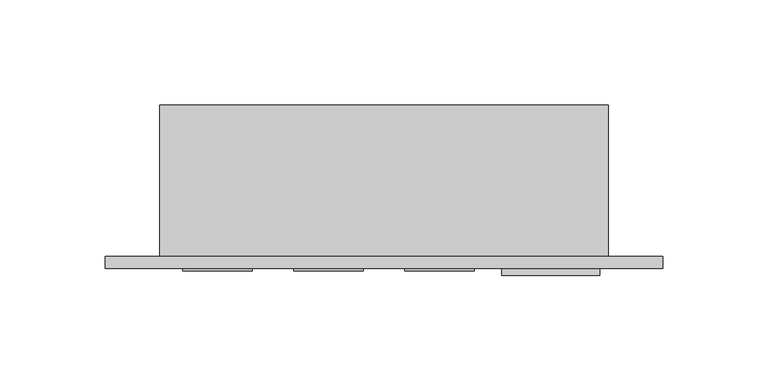
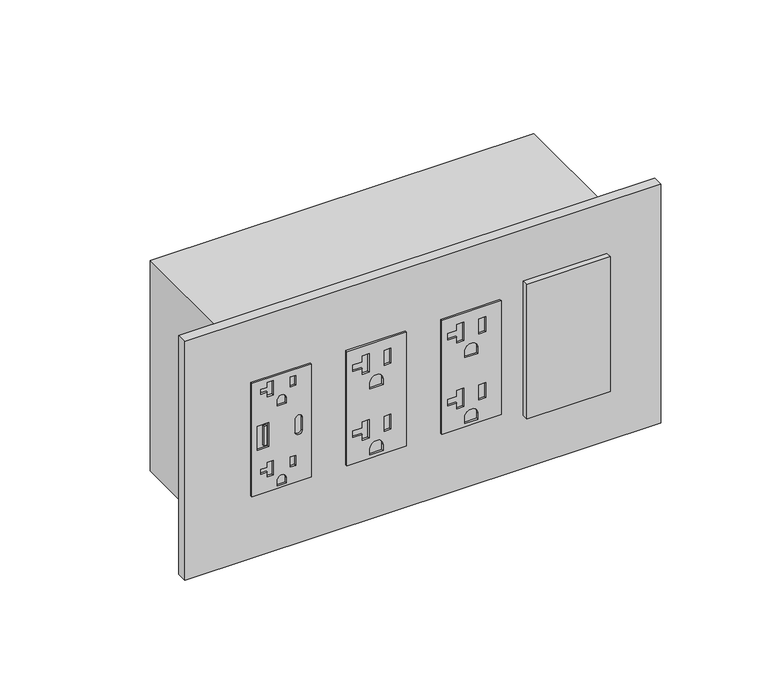
"""IFC4 building model written with IfcOpenShell, lengths in millimetres: proxy geometry."""

from ifc_helpers import new_model, si_unit, point, frame, frame_2d, origin, place, context, project, spatial, polyline, circle_curve, trimmed, segment, composite_curve, outline, extrude, source, transform, mapped, element, save


def electrical_fixtures_5008ccd6(model_context):
    return source(origin(), model_context, "Body", "SweptSolid", [
        extrude(outline(polyline([(414.274, 11.0998), (347.726, 11.0998), (347.726, 44.0944), (414.274, 44.0944), (414.274, 11.0998)]), holes=[polyline([(388.0485, 14.0236066), (388.0485, 20.5246617), (373.9515, 20.5246617), (373.9515, 14.0236066), (388.0485, 14.0236066)]), composite_curve([segment(trimmed(circle_curve(frame_2d((384.7846, 37.1348)), 1.905), [point((384.7846, 35.2298))], [point((384.7846, 39.0398))], True, "CARTESIAN"), True, "CONTINUOUS"), segment(polyline([(384.7846, 39.0398), (377.2154, 39.0398)]), True, "CONTINUOUS"), segment(trimmed(circle_curve(frame_2d((377.2154, 37.1348)), 1.905), [point((377.2154, 39.0398))], [point((377.2154, 35.2298))], True, "CARTESIAN"), True, "CONTINUOUS"), segment(polyline([(377.2154, 35.2298), (384.7846, 35.2298)]), True, "CONTINUOUS")], self_intersect=False), composite_curve([segment(polyline([(349.25, 30.0609), (349.25, 25.1333), (352.3488, 25.1333)]), True, "CONTINUOUS"), segment(trimmed(circle_curve(frame_2d((352.3488, 27.5971)), 2.4638), [point((352.3488, 25.1333))], [point((352.3488, 30.0609))], True, "CARTESIAN"), True, "CONTINUOUS"), segment(polyline([(352.3488, 30.0609), (349.25, 30.0609)]), True, "CONTINUOUS")], self_intersect=False), polyline([(364.8202, 22.9616), (356.5211661, 22.9616), (356.5211661, 19.6342), (359.2043639, 19.6342), (359.2043639, 16.1036), (361.9419812, 16.1036), (361.9419812, 19.6342), (364.8202, 19.6342), (364.8202, 22.9616)]), composite_curve([segment(polyline([(396.24, 25.1333), (399.3388, 25.1333)]), True, "CONTINUOUS"), segment(trimmed(circle_curve(frame_2d((399.3388, 27.5971)), 2.4638), [point((399.3388, 25.1333))], [point((399.3388, 30.0609))], True, "CARTESIAN"), True, "CONTINUOUS"), segment(polyline([(399.3388, 30.0609), (396.24, 30.0609), (396.24, 25.1333)]), True, "CONTINUOUS")], self_intersect=False), polyline([(404.7574649, 32.4358), (410.5806175, 32.4358), (410.5806175, 35.41014), (404.7574649, 35.41014), (404.7574649, 32.4358)]), polyline([(357.7674649, 32.4358), (363.5906175, 32.4358), (363.5906175, 35.41014), (357.7674649, 35.41014), (357.7674649, 32.4358)]), polyline([(411.8102, 22.9616), (403.5111661, 22.9616), (403.5111661, 19.6342), (406.1943639, 19.6342), (406.1943639, 16.1036), (408.9319812, 16.1036), (408.9319812, 19.6342), (411.8102, 19.6342), (411.8102, 22.9616)])]), frame((0.0, -6.9294746, 0.0), z_axis=(0.0, 1.0, 0.0), x_axis=(0.0, 0.0, 1.0)), (0.0, 0.0, 1.0), 1.0366746),
        extrude(outline(polyline([(19.314835, -6.9294746), (17.7939058, -6.9294746), (17.7939058, -5.8928), (19.314835, -5.8928), (19.314835, -6.9294746)])), frame((0.0, 0.0, 375.2741546), z_axis=(0.0, 0.0, 1.0), x_axis=(1.0, 0.0, 0.0)), (0.0, 0.0, 1.0), 11.4436352),
        extrude(outline(polyline([(414.4772, 149.4282), (414.4772, 116.4336), (347.5228, 116.4336), (347.5228, 149.4282), (414.4772, 149.4282)]), holes=[polyline([(409.0924, 128.778), (398.272, 128.778), (398.272, 124.9426), (401.7518, 124.9426), (401.7518, 119.8372), (405.6126, 119.8372), (405.6126, 124.9426), (409.0924, 124.9426), (409.0924, 128.778)]), polyline([(408.1145, 140.9446), (399.2499, 140.9446), (399.2499, 137.1092), (408.1145, 137.1092), (408.1145, 140.9446)]), composite_curve([segment(polyline([(388.0866, 136.5631), (388.0866, 129.2987), (391.7188, 129.2987)]), True, "CONTINUOUS"), segment(trimmed(circle_curve(frame_2d((391.7188, 132.9309)), 3.6322), [point((391.7188, 129.2987))], [point((391.7188, 136.5631))], True, "CARTESIAN"), True, "CONTINUOUS"), segment(polyline([(391.7188, 136.5631), (388.0866, 136.5631)]), True, "CONTINUOUS")], self_intersect=False), polyline([(370.3574, 128.778), (359.537, 128.778), (359.537, 124.9426), (363.0168, 124.9426), (363.0168, 119.8372), (366.8776, 119.8372), (366.8776, 124.9426), (370.3574, 124.9426), (370.3574, 128.778)]), polyline([(369.3795, 140.9446), (360.5149, 140.9446), (360.5149, 137.1092), (369.3795, 137.1092), (369.3795, 140.9446)]), composite_curve([segment(polyline([(349.3516, 136.5631), (349.3516, 129.2987), (352.9838, 129.2987)]), True, "CONTINUOUS"), segment(trimmed(circle_curve(frame_2d((352.9838, 132.9309)), 3.6322), [point((352.9838, 129.2987))], [point((352.9838, 136.5631))], True, "CARTESIAN"), True, "CONTINUOUS"), segment(polyline([(352.9838, 136.5631), (349.3516, 136.5631)]), True, "CONTINUOUS")], self_intersect=False)]), frame((0.0, -6.9294746, 0.0), z_axis=(0.0, 1.0, 0.0), x_axis=(0.0, 0.0, 1.0)), (0.0, 0.0, 1.0), 1.0366746),
        extrude(outline(polyline([(414.4772, 96.7613), (414.4772, 63.7667), (347.5228, 63.7667), (347.5228, 96.7613), (414.4772, 96.7613)]), holes=[polyline([(409.0924, 76.1111), (398.272, 76.1111), (398.272, 72.2757), (401.7518, 72.2757), (401.7518, 67.1703), (405.6126, 67.1703), (405.6126, 72.2757), (409.0924, 72.2757), (409.0924, 76.1111)]), polyline([(408.1145, 88.2777), (399.2499, 88.2777), (399.2499, 84.4423), (408.1145, 84.4423), (408.1145, 88.2777)]), composite_curve([segment(polyline([(388.0866, 83.8962), (388.0866, 76.6318), (391.7188, 76.6318)]), True, "CONTINUOUS"), segment(trimmed(circle_curve(frame_2d((391.7188, 80.264)), 3.6322), [point((391.7188, 76.6318))], [point((391.7188, 83.8962))], True, "CARTESIAN"), True, "CONTINUOUS"), segment(polyline([(391.7188, 83.8962), (388.0866, 83.8962)]), True, "CONTINUOUS")], self_intersect=False), polyline([(370.3574, 76.1111), (359.537, 76.1111), (359.537, 72.2757), (363.0168, 72.2757), (363.0168, 67.1703), (366.8776, 67.1703), (366.8776, 72.2757), (370.3574, 72.2757), (370.3574, 76.1111)]), polyline([(369.3795, 88.2777), (360.5149, 88.2777), (360.5149, 84.4423), (369.3795, 84.4423), (369.3795, 88.2777)]), composite_curve([segment(polyline([(349.3516, 83.8962), (349.3516, 76.6318), (352.9838, 76.6318)]), True, "CONTINUOUS"), segment(trimmed(circle_curve(frame_2d((352.9838, 80.264)), 3.6322), [point((352.9838, 76.6318))], [point((352.9838, 83.8962))], True, "CARTESIAN"), True, "CONTINUOUS"), segment(polyline([(352.9838, 83.8962), (349.3516, 83.8962)]), True, "CONTINUOUS")], self_intersect=False)]), frame((0.0, -6.9294746, 0.0), z_axis=(0.0, 1.0, 0.0), x_axis=(0.0, 0.0, 1.0)), (0.0, 0.0, 1.0), 1.0366746),
        extrude(outline(polyline([(162.3314, -5.8928), (208.8642, -5.8928), (208.8642, -9.0678), (162.3314, -9.0678), (162.3314, -5.8928)])), frame((0.0, 0.0, 341.7922742), z_axis=(0.0, 0.0, 1.0), x_axis=(1.0, 0.0, 0.0)), (0.0, 0.0, 1.0), 79.0448),
        extrude(outline(polyline([(-25.6794, 0.0), (238.7092, 0.0), (238.7092, -5.8928), (-25.6794, -5.8928), (-25.6794, 0.0)])), frame((0.0, 0.0, 310.8198), z_axis=(0.0, 0.0, 1.0), x_axis=(1.0, 0.0, 0.0)), (0.0, 0.0, 1.0), 140.3604),
        extrude(outline(polyline([(213.0298, 0.0), (0.0, 0.0), (0.0, 71.7296), (213.0298, 71.7296), (213.0298, 0.0)])), frame((0.0, 0.0, 319.2526), z_axis=(0.0, 0.0, 1.0), x_axis=(1.0, 0.0, 0.0)), (0.0, 0.0, 1.0), 123.4948),
    ])


if __name__ == "__main__":
    model = new_model("IFC4")
    model_context = context("Model", 3, world=origin())
    ifc_project = project(units=[si_unit("LENGTHUNIT", "METRE", prefix="MILLI")], contexts=[model_context])
    site = spatial("IfcSite", under=ifc_project)
    building = spatial("IfcBuilding", under=site)
    placement = place(None, origin())
    electrical_fixtures_shape = electrical_fixtures_5008ccd6(model_context)
    element("IfcBuildingElementProxy", 1, Name="Electrical Fixtures", at=placement, inside=building, context=model_context, shape_type="MappedRepresentation", body=[
        mapped(electrical_fixtures_shape, transform((0.0, 0.0, 0.0), x_axis=(1.0, 0.0, 0.0), y_axis=(0.0, 1.0, 0.0), z_axis=(0.0, 0.0, 1.0))),
    ])
    save(model, "model.ifc")
